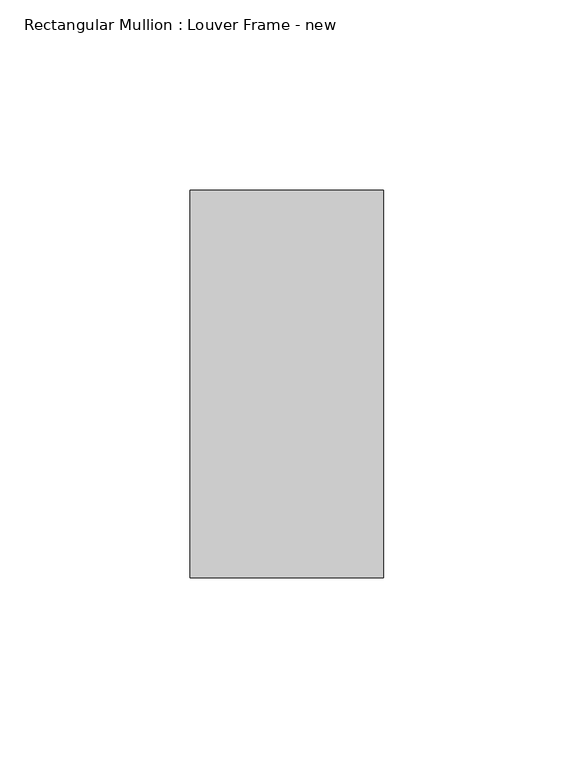
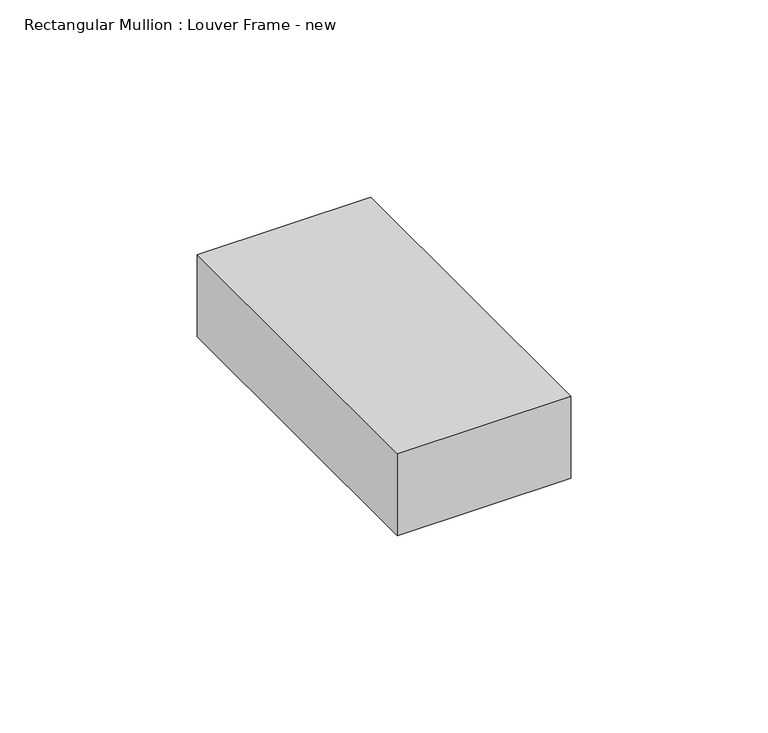
"""IFC4 building model written with IfcOpenShell, lengths in millimetres: member geometry, Rectangular Mullion : Louver Frame - new."""

from ifc_helpers import new_model, si_unit, frame, origin, place, context, project, spatial, polyline, outline, extrude, source, transform, mapped, element, save


def rectangular_mullion_louver_frame_new_7fa72a36(model_context):
    return source(origin(), model_context, "Body", "SweptSolid", [
        extrude(outline(polyline([(0.0, 50.8), (0.0, -50.8), (-50.8, -50.8), (-50.8, 50.8), (0.0, 50.8)])), frame((0.0, 0.0, -25.4), z_axis=(0.0, 0.0, 1.0), x_axis=(1.0, 0.0, 0.0)), (0.0, 0.0, 1.0), 25.4),
    ])


if __name__ == "__main__":
    model = new_model("IFC4")
    model_context = context("Model", 3, world=origin())
    ifc_project = project(units=[si_unit("LENGTHUNIT", "METRE", prefix="MILLI")], contexts=[model_context])
    site = spatial("IfcSite", under=ifc_project)
    building = spatial("IfcBuilding", under=site)
    placement = place(None, origin())
    rectangular_mullion_louver_frame_new_shape = rectangular_mullion_louver_frame_new_7fa72a36(model_context)
    element("IfcMember", 1, ObjectType="Rectangular Mullion : Louver Frame - new", at=placement, inside=building, context=model_context, shape_type="MappedRepresentation", body=[
        mapped(rectangular_mullion_louver_frame_new_shape, transform((0.0, 0.0, 0.0), x_axis=(1.0, 0.0, 0.0), y_axis=(0.0, 1.0, 0.0), z_axis=(0.0, 0.0, 1.0))),
    ])
    save(model, "model.ifc")
